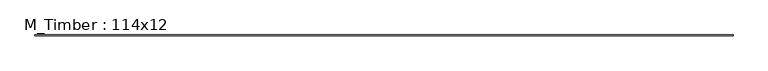
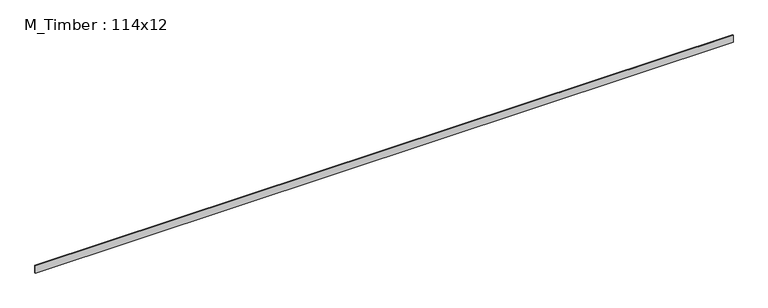
"""IFC4 building model written with IfcOpenShell, lengths in millimetres: beam geometry, M_Timber : 114x12."""

from ifc_helpers import new_model, si_unit, frame, origin, place, context, project, spatial, polyline, outline, extrude, source, transform, mapped, element, save


def m_timber_114x12_fd2a407a(model_context):
    return source(origin(), model_context, "Body", "SweptSolid", [
        extrude(outline(polyline([(5300.1992036, 6.0), (5300.1992036, -6.0), (-5306.1992036, -6.0), (-5306.1992036, 6.0), (5300.1992036, 6.0)])), frame((0.0, 0.0, -57.0), z_axis=(0.0, 0.0, 1.0), x_axis=(1.0, 0.0, 0.0)), (0.0, 0.0, 1.0), 114.0),
    ])


if __name__ == "__main__":
    model = new_model("IFC4")
    model_context = context("Model", 3, world=origin())
    ifc_project = project(units=[si_unit("LENGTHUNIT", "METRE", prefix="MILLI")], contexts=[model_context])
    site = spatial("IfcSite", under=ifc_project)
    building = spatial("IfcBuilding", under=site)
    placement = place(None, origin())
    m_timber_114x12_shape = m_timber_114x12_fd2a407a(model_context)
    element("IfcBeam", 1, ObjectType="M_Timber : 114x12", at=placement, inside=building, context=model_context, shape_type="MappedRepresentation", body=[
        mapped(m_timber_114x12_shape, transform((0.0, 0.0, 0.0), x_axis=(1.0, 0.0, 0.0), y_axis=(0.0, 1.0, 0.0), z_axis=(0.0, 0.0, 1.0))),
    ])
    save(model, "model.ifc")
